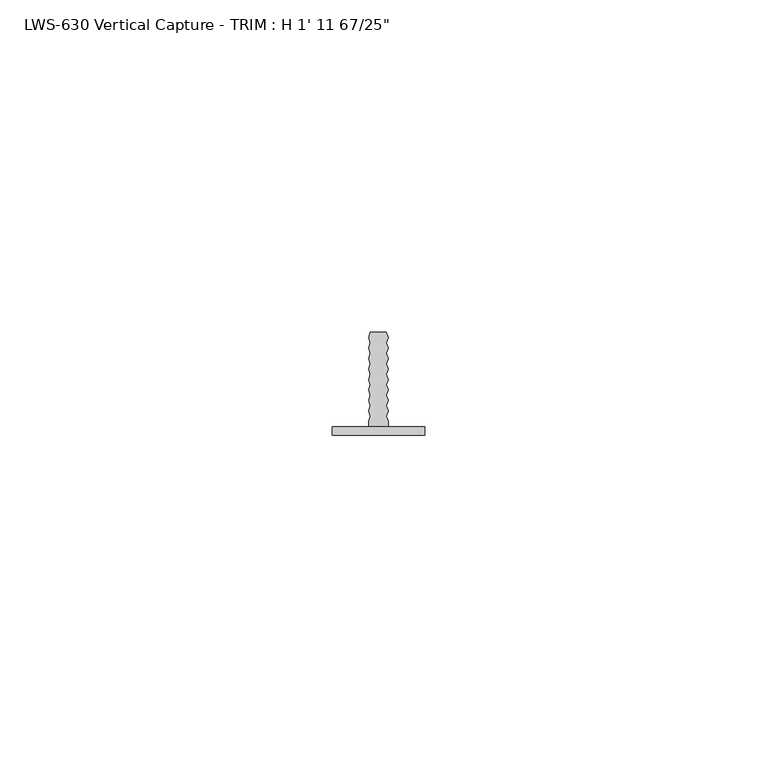
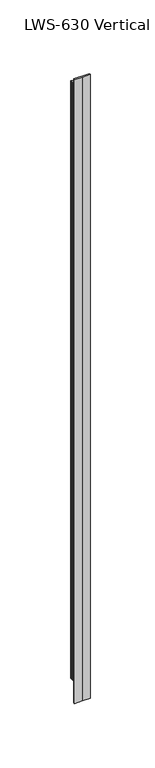
"""IFC4 building model written with IfcOpenShell, lengths in millimetres: proxy geometry."""

from ifc_helpers import new_model, si_unit, origin, place, context, project, spatial, faceted_brep, source, transform, mapped, element, save


def proxy_2c6da2d0(model_context):
    return source(origin(), model_context, "Body", "Brep", [
        faceted_brep([(13.97, 1.27, 590.8476562), (0.0, 1.27, 590.8476562), (0.0, 0.0, 590.8476562), (6.985, 0.0, 590.8476562), (13.97, 0.0, 590.8476562), (0.0, 1.27, 0.0), (13.97, 1.27, 0.0), (13.97, 0.0, 0.0), (6.985, 0.0, 0.0), (0.0, 0.0, 0.0), (5.7785, 15.5575, 578.1476562), (5.7785, 15.5575, 12.7), (5.5063304, 14.719848, 12.7), (5.5063304, 14.719848, 578.1476562), (5.7603304, 13.9227961, 12.7), (5.7603304, 13.9227961, 578.1476562), (5.5063304, 13.1410645, 12.7), (5.5063304, 13.1410645, 578.1476562), (5.7603304, 12.3440126, 12.7), (5.7603304, 12.3440126, 578.1476562), (5.5063304, 11.5622809, 12.7), (5.5063304, 11.5622809, 578.1476562), (5.7603304, 10.765229, 12.7), (5.7603304, 10.765229, 578.1476562), (5.5063304, 9.9834974, 12.7), (5.5063304, 9.9834974, 578.1476562), (5.7603304, 9.1864455, 12.7), (5.7603304, 9.1864455, 578.1476562), (5.5063304, 8.4047139, 12.7), (5.5063304, 8.4047139, 578.1476562), (5.7603304, 7.6076619, 12.7), (5.7603304, 7.6076619, 578.1476562), (5.5063304, 6.8259303, 12.7), (5.5063304, 6.8259303, 578.1476562), (5.7603304, 6.0288784, 12.7), (5.7603304, 6.0288784, 578.1476562), (5.5063304, 5.2471468, 12.7), (5.5063304, 5.2471468, 578.1476562), (5.7603304, 4.4500949, 12.7), (5.7603304, 4.4500949, 578.1476562), (5.5063304, 3.6683632, 12.7), (5.5063304, 3.6683632, 578.1476562), (5.7603304, 2.8713113, 12.7), (5.7603304, 2.8713113, 578.1476562), (5.5063304, 2.0895797, 12.7), (5.5063304, 2.0895797, 578.1476562), (5.5063304, 1.27, 12.7), (5.5063304, 1.27, 578.1476562), (8.4455, 1.27, 12.7), (8.4455, 1.27, 578.1476562), (8.4455, 2.0895797, 12.7), (8.4455, 2.0895797, 578.1476562), (8.1915, 2.8713113, 12.7), (8.1915, 2.8713113, 578.1476562), (8.4455, 3.6683632, 12.7), (8.4455, 3.6683632, 578.1476562), (8.1915, 4.4500949, 12.7), (8.1915, 4.4500949, 578.1476562), (8.4455, 5.2471468, 12.7), (8.4455, 5.2471468, 578.1476562), (8.1915, 6.0288784, 12.7), (8.1915, 6.0288784, 578.1476562), (8.4455, 6.8259303, 12.7), (8.4455, 6.8259303, 578.1476562), (8.1915, 7.6076619, 12.7), (8.1915, 7.6076619, 578.1476562), (8.4455, 8.4047139, 12.7), (8.4455, 8.4047139, 578.1476562), (8.1915, 9.1864455, 12.7), (8.1915, 9.1864455, 578.1476562), (8.4455, 9.9834974, 12.7), (8.4455, 9.9834974, 578.1476562), (8.1915, 10.765229, 12.7), (8.1915, 10.765229, 578.1476562), (8.4455, 11.5622809, 12.7), (8.4455, 11.5622809, 578.1476562), (8.1915, 12.3440126, 12.7), (8.1915, 12.3440126, 578.1476562), (8.4455, 13.1410645, 12.7), (8.4455, 13.1410645, 578.1476562), (8.1915, 13.9227961, 12.7), (8.1915, 13.9227961, 578.1476562), (8.4455, 14.719848, 12.7), (8.4455, 14.719848, 578.1476562), (8.1733304, 15.5575, 12.7), (8.1733304, 15.5575, 578.1476562)], [[[0, 1, 2, 3, 4]], [[5, 6, 7, 8, 9]], [[10, 11, 12, 13]], [[13, 12, 14, 15]], [[15, 14, 16, 17]], [[17, 16, 18, 19]], [[19, 18, 20, 21]], [[21, 20, 22, 23]], [[23, 22, 24, 25]], [[25, 24, 26, 27]], [[27, 26, 28, 29]], [[29, 28, 30, 31]], [[31, 30, 32, 33]], [[33, 32, 34, 35]], [[35, 34, 36, 37]], [[37, 36, 38, 39]], [[39, 38, 40, 41]], [[41, 40, 42, 43]], [[43, 42, 44, 45]], [[45, 44, 46, 47]], [[5, 1, 0, 6], [46, 48, 49, 47]], [[2, 1, 5, 9]], [[3, 2, 9, 8]], [[4, 3, 8, 7]], [[0, 4, 7, 6]], [[49, 48, 50, 51]], [[51, 50, 52, 53]], [[53, 52, 54, 55]], [[55, 54, 56, 57]], [[57, 56, 58, 59]], [[59, 58, 60, 61]], [[61, 60, 62, 63]], [[63, 62, 64, 65]], [[65, 64, 66, 67]], [[67, 66, 68, 69]], [[69, 68, 70, 71]], [[71, 70, 72, 73]], [[73, 72, 74, 75]], [[75, 74, 76, 77]], [[77, 76, 78, 79]], [[79, 78, 80, 81]], [[81, 80, 82, 83]], [[83, 82, 84, 85]], [[11, 10, 85, 84]], [[47, 49, 51, 53, 55, 57, 59, 61, 63, 65, 67, 69, 71, 73, 75, 77, 79, 81, 83, 85, 10, 13, 15, 17, 19, 21, 23, 25, 27, 29, 31, 33, 35, 37, 39, 41, 43, 45]], [[48, 46, 44, 42, 40, 38, 36, 34, 32, 30, 28, 26, 24, 22, 20, 18, 16, 14, 12, 11, 84, 82, 80, 78, 76, 74, 72, 70, 68, 66, 64, 62, 60, 58, 56, 54, 52, 50]]]),
    ])


if __name__ == "__main__":
    model = new_model("IFC4")
    model_context = context("Model", 3, world=origin())
    ifc_project = project(units=[si_unit("LENGTHUNIT", "METRE", prefix="MILLI")], contexts=[model_context])
    site = spatial("IfcSite", under=ifc_project)
    building = spatial("IfcBuilding", under=site)
    placement = place(None, origin())
    proxy_shape = proxy_2c6da2d0(model_context)
    element("IfcBuildingElementProxy", 1, Name="LWS-630 Vertical Capture - TRIM : H 1' 11 67/25\"", ObjectType="LWS-630 Vertical Capture - TRIM : H 1' 11 67/25\"", at=placement, inside=building, context=model_context, shape_type="MappedRepresentation", body=[
        mapped(proxy_shape, transform((0.0, 0.0, 0.0), x_axis=(1.0, 0.0, 0.0), y_axis=(0.0, 1.0, 0.0), z_axis=(0.0, 0.0, 1.0))),
    ])
    save(model, "model.ifc")
